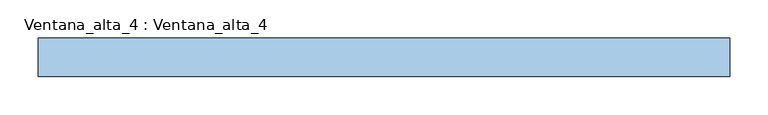
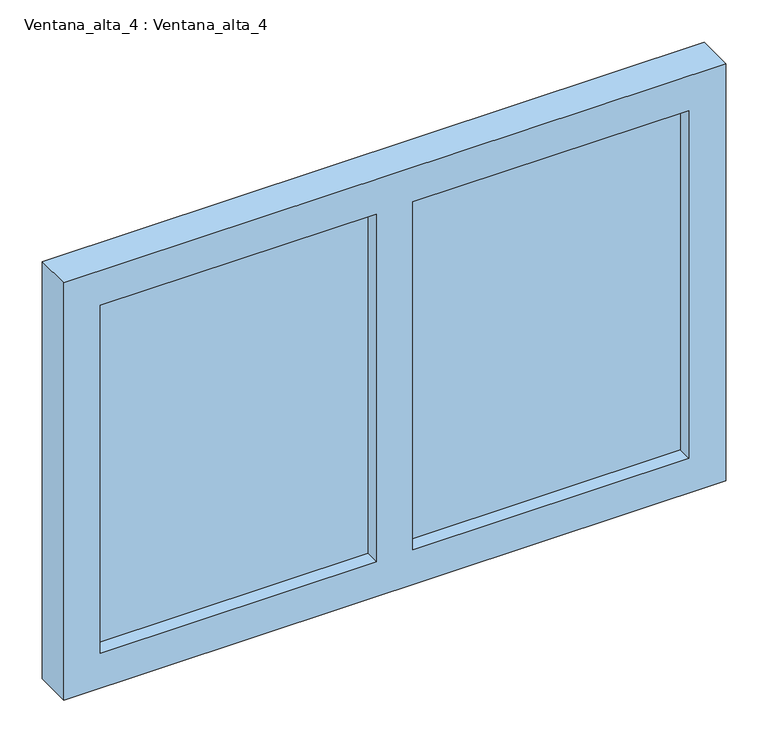
"""IFC4 building model written with IfcOpenShell, lengths in millimetres: window geometry, Ventana_alta_4 : Ventana_alta_4."""

from ifc_helpers import new_model, si_unit, frame, origin, place, context, project, spatial, polyline, outline, extrude, source, transform, mapped, element, save


def ventana_alta_4_ventana_alta_4_c6690e43(model_context):
    return source(origin(), model_context, "Body", "SweptSolid", [
        extrude(outline(polyline([(1275.0, -105.0), (900.0, -105.0), (900.0, -95.0), (1275.0, -95.0), (1275.0, -105.0)])), frame((0.0, 0.0, 850.0), z_axis=(0.0, 0.0, 1.0), x_axis=(1.0, 0.0, 0.0)), (0.0, 0.0, 1.0), 500.0),
        extrude(outline(polyline([(1700.0, -105.0), (1325.0, -105.0), (1325.0, -95.0), (1700.0, -95.0), (1700.0, -105.0)])), frame((0.0, 0.0, 850.0), z_axis=(0.0, 0.0, 1.0), x_axis=(1.0, 0.0, 0.0)), (0.0, 0.0, 1.0), 500.0),
        extrude(outline(polyline([(1400.0, 1750.0), (1400.0, 850.0), (800.0, 850.0), (800.0, 1750.0), (1400.0, 1750.0)]), holes=[polyline([(1350.0, 1700.0), (850.0, 1700.0), (850.0, 1325.0), (1350.0, 1325.0), (1350.0, 1700.0)]), polyline([(850.0, 1275.0), (850.0, 900.0), (1350.0, 900.0), (1350.0, 1275.0), (850.0, 1275.0)])]), frame((0.0, -125.0, 0.0), z_axis=(0.0, 1.0, 0.0), x_axis=(0.0, 0.0, 1.0)), (0.0, 0.0, 1.0), 50.0),
    ])


if __name__ == "__main__":
    model = new_model("IFC4")
    model_context = context("Model", 3, world=origin())
    ifc_project = project(units=[si_unit("LENGTHUNIT", "METRE", prefix="MILLI")], contexts=[model_context])
    site = spatial("IfcSite", under=ifc_project)
    building = spatial("IfcBuilding", under=site)
    placement = place(None, origin())
    ventana_alta_4_ventana_alta_4_shape = ventana_alta_4_ventana_alta_4_c6690e43(model_context)
    element("IfcWindow", 1, ObjectType="Ventana_alta_4 : Ventana_alta_4", at=placement, inside=building, context=model_context, shape_type="MappedRepresentation", body=[
        mapped(ventana_alta_4_ventana_alta_4_shape, transform((0.0, 0.0, 0.0), x_axis=(1.0, 0.0, 0.0), y_axis=(0.0, 1.0, 0.0), z_axis=(0.0, 0.0, 1.0))),
    ])
    save(model, "model.ifc")
